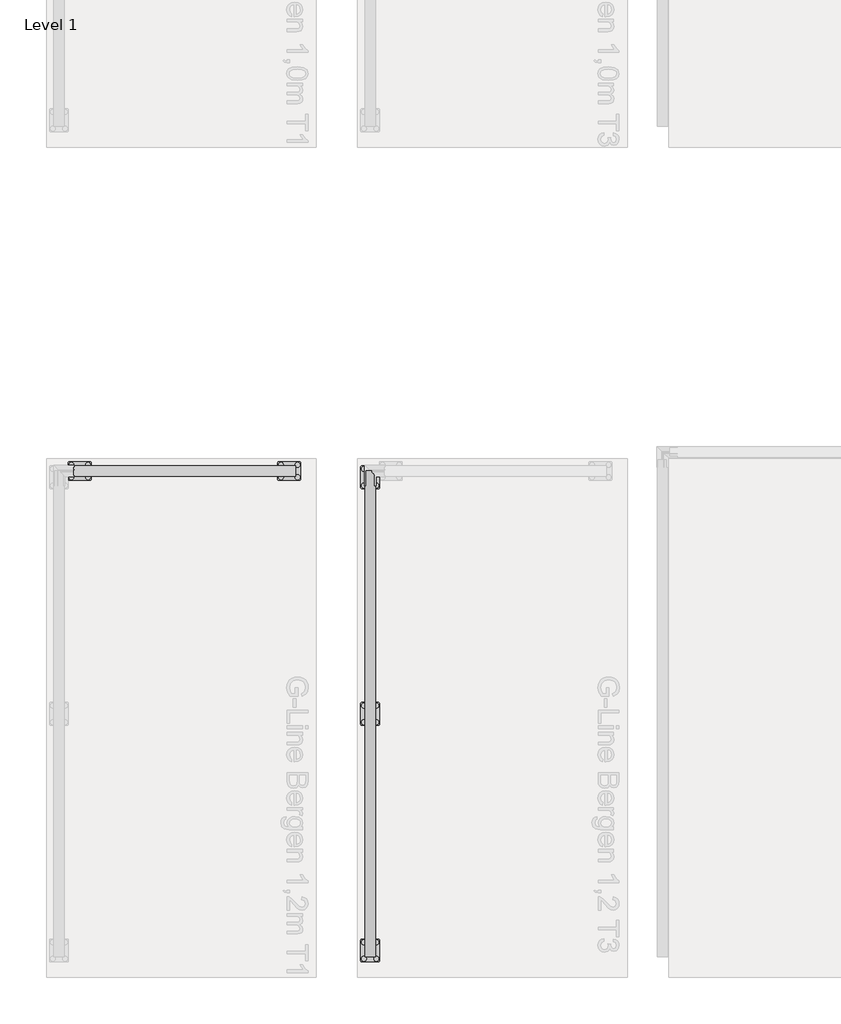
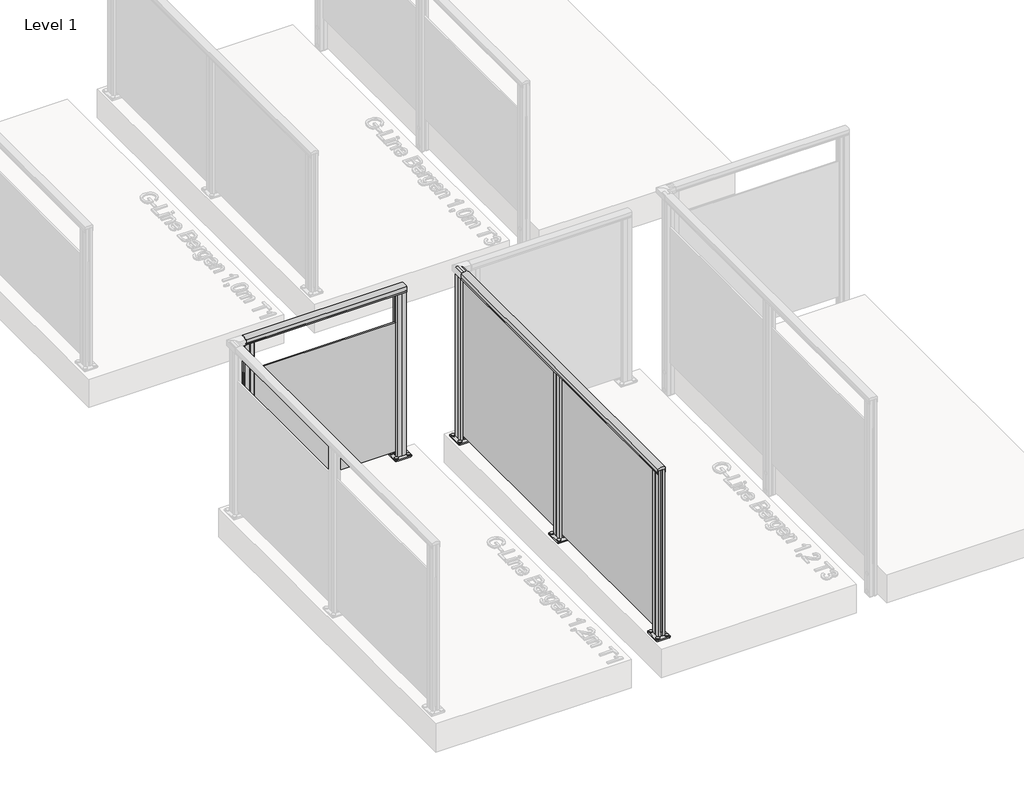
# One storey, part 2 of 13: 2 railings.
"""IFC4 building model written with IfcOpenShell, lengths in millimetres."""

from ifc_helpers import new_model, si_unit, point, frame, frame_2d, origin, origin_with_axes, place, context, project, spatial, polyline, circle_curve, trimmed, segment, composite_curve, outline, extrude, element, save

model = new_model("IFC4")

# Units and contexts
model_context = context("Model", 3, world=origin())
ifc_project = project(units=[si_unit("LENGTHUNIT", "METRE", prefix="MILLI")], contexts=[model_context])

# Site, building, storey
site = spatial("IfcSite", under=ifc_project)
building = spatial("IfcBuilding", under=site)
storey = spatial("IfcBuildingStorey", under=building, Name="Level 1", Elevation=0.0)

# Railings
placement = place(None, origin())
element("IfcRailing", 1, at=placement, inside=storey, context=model_context, shape_type="SweptSolid", body=[
    extrude(outline(composite_curve([segment(trimmed(circle_curve(frame_2d((-1700.3707264, 1142.6785502)), 57.3235687), [point((-1725.6256867, 1194.1390059))], [point((-1675.1060284, 1194.1342258))], False, "CARTESIAN"), True, "CONTINUOUS"), segment(polyline([(-1675.1060284, 1194.1342258), (-1675.1060284, 1167.0235023), (-1675.6879602, 1166.4415706), (-1675.0658791, 1165.8194895), (-1675.0658791, 1157.2498847), (-1676.870832, 1157.2498847), (-1676.870832, 1180.4998829), (-1723.8658782, 1180.4998829), (-1723.8658782, 1157.2498847), (-1725.6256867, 1157.2498847), (-1725.6256867, 1165.9694895), (-1725.0109037, 1166.5842725), (-1725.6256867, 1167.1990555), (-1725.6256867, 1194.1390059)]), True, "CONTINUOUS")], self_intersect=False)), frame((-5667.7109978, 0.0, 0.0), z_axis=(1.0, 0.0, 0.0), x_axis=(0.0, 1.0, 0.0)), (0.0, 0.0, 1.0), 1070.0),
    extrude(outline(polyline([(-4597.7109978, -1695.2659103), (-4597.7109978, -1704.0259103), (-5667.7109978, -1704.0259103), (-5667.7109978, -1695.2659103), (-4597.7109978, -1695.2659103)])), frame((0.0, 0.0, 40.0), z_axis=(0.0, 0.0, 1.0), x_axis=(1.0, 0.0, 0.0)), (0.0, 0.0, 1.0), 910.0),
    extrude(outline(composite_curve([segment(trimmed(circle_curve(frame_2d((-5597.7109978, -1669.6459103)), 11.9621755), [point((-5597.7109978, -1657.6837349))], [point((-5597.7109978, -1681.6080858))], False, "CARTESIAN"), True, "CONTINUOUS"), segment(trimmed(circle_curve(frame_2d((-5597.7109978, -1669.6459103)), 11.9621755), [point((-5597.7109978, -1681.6080858))], [point((-5597.7109978, -1657.6837349))], False, "CARTESIAN"), True, "CONTINUOUS")], self_intersect=False)), frame((0.0, 0.0, 10.0), z_axis=(0.0, 0.0, 1.0), x_axis=(1.0, 0.0, 0.0)), (0.0, 0.0, 1.0), 5.0),
    extrude(outline(composite_curve([segment(trimmed(circle_curve(frame_2d((-5597.7109978, -1729.6459103)), 11.9621755), [point((-5597.7109978, -1717.6837349))], [point((-5597.7109978, -1741.6080858))], False, "CARTESIAN"), True, "CONTINUOUS"), segment(trimmed(circle_curve(frame_2d((-5597.7109978, -1729.6459103)), 11.9621755), [point((-5597.7109978, -1741.6080858))], [point((-5597.7109978, -1717.6837349))], False, "CARTESIAN"), True, "CONTINUOUS")], self_intersect=False)), frame((0.0, 0.0, 10.0), z_axis=(0.0, 0.0, 1.0), x_axis=(1.0, 0.0, 0.0)), (0.0, 0.0, 1.0), 5.0),
    extrude(outline(composite_curve([segment(trimmed(circle_curve(frame_2d((-5677.7109978, -1669.6459103)), 11.9621755), [point((-5677.7109978, -1657.6837349))], [point((-5677.7109978, -1681.6080858))], False, "CARTESIAN"), True, "CONTINUOUS"), segment(trimmed(circle_curve(frame_2d((-5677.7109978, -1669.6459103)), 11.9621755), [point((-5677.7109978, -1681.6080858))], [point((-5677.7109978, -1657.6837349))], False, "CARTESIAN"), True, "CONTINUOUS")], self_intersect=False)), frame((0.0, 0.0, 10.0), z_axis=(0.0, 0.0, 1.0), x_axis=(1.0, 0.0, 0.0)), (0.0, 0.0, 1.0), 5.0),
    extrude(outline(composite_curve([segment(trimmed(circle_curve(frame_2d((-5677.7109978, -1729.6459103)), 11.9621755), [point((-5677.7109978, -1717.6837349))], [point((-5677.7109978, -1741.6080858))], False, "CARTESIAN"), True, "CONTINUOUS"), segment(trimmed(circle_curve(frame_2d((-5677.7109978, -1729.6459103)), 11.9621755), [point((-5677.7109978, -1741.6080858))], [point((-5677.7109978, -1717.6837349))], False, "CARTESIAN"), True, "CONTINUOUS")], self_intersect=False)), frame((0.0, 0.0, 10.0), z_axis=(0.0, 0.0, 1.0), x_axis=(1.0, 0.0, 0.0)), (0.0, 0.0, 1.0), 5.0),
    extrude(outline(composite_curve([segment(trimmed(circle_curve(frame_2d((-5587.7109978, -1739.6459103)), 5.0), [point((-5582.7109978, -1739.6459103))], [point((-5587.7109978, -1744.6459103))], False, "CARTESIAN"), True, "CONTINUOUS"), segment(polyline([(-5587.7109978, -1744.6459103), (-5687.7109978, -1744.6459103)]), True, "CONTINUOUS"), segment(trimmed(circle_curve(frame_2d((-5687.7109978, -1739.6459103)), 5.0), [point((-5687.7109978, -1744.6459103))], [point((-5692.7109978, -1739.6459103))], False, "CARTESIAN"), True, "CONTINUOUS"), segment(polyline([(-5692.7109978, -1739.6459103), (-5692.7109978, -1659.6459103)]), True, "CONTINUOUS"), segment(trimmed(circle_curve(frame_2d((-5687.7109978, -1659.6459103)), 5.0), [point((-5692.7109978, -1659.6459103))], [point((-5687.7109978, -1654.6459103))], False, "CARTESIAN"), True, "CONTINUOUS"), segment(polyline([(-5687.7109978, -1654.6459103), (-5587.7109978, -1654.6459103)]), True, "CONTINUOUS"), segment(trimmed(circle_curve(frame_2d((-5587.7109978, -1659.6459103)), 5.0), [point((-5587.7109978, -1654.6459103))], [point((-5582.7109978, -1659.6459103))], False, "CARTESIAN"), True, "CONTINUOUS"), segment(polyline([(-5582.7109978, -1659.6459103), (-5582.7109978, -1739.6459103)]), True, "CONTINUOUS")], self_intersect=False), holes=[composite_curve([segment(trimmed(circle_curve(frame_2d((-5597.7109978, -1729.6459103)), 6.25), [point((-5597.7109978, -1723.3959103))], [point((-5597.7109978, -1735.8959103))], True, "CARTESIAN"), True, "CONTINUOUS"), segment(trimmed(circle_curve(frame_2d((-5597.7109978, -1729.6459103)), 6.25), [point((-5597.7109978, -1735.8959103))], [point((-5597.7109978, -1723.3959103))], True, "CARTESIAN"), True, "CONTINUOUS")], self_intersect=False), composite_curve([segment(trimmed(circle_curve(frame_2d((-5597.7109978, -1669.6459103)), 6.25), [point((-5597.7109978, -1663.3959103))], [point((-5597.7109978, -1675.8959103))], True, "CARTESIAN"), True, "CONTINUOUS"), segment(trimmed(circle_curve(frame_2d((-5597.7109978, -1669.6459103)), 6.25), [point((-5597.7109978, -1675.8959103))], [point((-5597.7109978, -1663.3959103))], True, "CARTESIAN"), True, "CONTINUOUS")], self_intersect=False), composite_curve([segment(trimmed(circle_curve(frame_2d((-5677.7109978, -1669.6459103)), 6.25), [point((-5677.7109978, -1663.3959103))], [point((-5677.7109978, -1675.8959103))], True, "CARTESIAN"), True, "CONTINUOUS"), segment(trimmed(circle_curve(frame_2d((-5677.7109978, -1669.6459103)), 6.25), [point((-5677.7109978, -1675.8959103))], [point((-5677.7109978, -1663.3959103))], True, "CARTESIAN"), True, "CONTINUOUS")], self_intersect=False), composite_curve([segment(trimmed(circle_curve(frame_2d((-5677.7109978, -1729.6459103)), 6.25), [point((-5677.7109978, -1723.3959103))], [point((-5677.7109978, -1735.8959103))], True, "CARTESIAN"), True, "CONTINUOUS"), segment(trimmed(circle_curve(frame_2d((-5677.7109978, -1729.6459103)), 6.25), [point((-5677.7109978, -1735.8959103))], [point((-5677.7109978, -1723.3959103))], True, "CARTESIAN"), True, "CONTINUOUS")], self_intersect=False)]), origin_with_axes(), (0.0, 0.0, 1.0), 10.0),
    extrude(outline(polyline([(-5667.7094047, -1695.3000484), (-5667.7120769, -1677.1550486), (-5638.7450899, -1677.1507826), (-5637.7166457, -1678.1789239), (-5636.7285472, -1677.1905343), (-5607.7120717, -1677.1862611), (-5607.7094054, -1695.2912122), (-5625.2094052, -1695.2937894), (-5625.2081151, -1704.0537893), (-5607.7081153, -1704.0512121), (-5607.7054505, -1722.1462119), (-5636.6724374, -1722.1504779), (-5637.7103053, -1721.2321455), (-5638.5884687, -1722.1105677), (-5667.7054557, -1722.1148557), (-5667.7081146, -1704.0600483), (-5650.2081148, -1704.0574711), (-5650.2094049, -1695.2974712), (-5667.7094047, -1695.3000484)]), holes=[polyline([(-5628.9117828, -1720.151926), (-5628.9117828, -1679.1493345), (-5646.5057446, -1679.1493345), (-5646.5057446, -1720.151926), (-5628.9117828, -1720.151926)]), polyline([(-5609.711783, -1693.2940398), (-5609.711783, -1679.1465069), (-5626.9096997, -1679.1465069), (-5626.9096997, -1693.2940398), (-5609.711783, -1693.2940398)]), polyline([(-5609.7078207, -1720.151926), (-5609.7078207, -1706.0515066), (-5626.9057444, -1706.0515066), (-5626.9057444, -1720.151926), (-5609.7078207, -1720.151926)]), polyline([(-5648.5117826, -1693.2997538), (-5648.5117826, -1679.152221), (-5665.7096993, -1679.152221), (-5665.7096993, -1693.2997538), (-5648.5117826, -1693.2997538)]), polyline([(-5648.5078203, -1720.2047536), (-5648.5078203, -1706.0572207), (-5665.705737, -1706.0572207), (-5665.705737, -1720.2047536), (-5648.5078203, -1720.2047536)])]), frame((0.0, 0.0, 10.0), z_axis=(0.0, 0.0, 1.0), x_axis=(1.0, 0.0, 0.0)), (0.0, 0.0, 1.0), 1171.0),
    extrude(outline(composite_curve([segment(trimmed(circle_curve(frame_2d((-4587.7109978, -1669.6459103)), 11.9621755), [point((-4587.7109978, -1657.6837349))], [point((-4587.7109978, -1681.6080858))], False, "CARTESIAN"), True, "CONTINUOUS"), segment(trimmed(circle_curve(frame_2d((-4587.7109978, -1669.6459103)), 11.9621755), [point((-4587.7109978, -1681.6080858))], [point((-4587.7109978, -1657.6837349))], False, "CARTESIAN"), True, "CONTINUOUS")], self_intersect=False)), frame((0.0, 0.0, 10.0), z_axis=(0.0, 0.0, 1.0), x_axis=(1.0, 0.0, 0.0)), (0.0, 0.0, 1.0), 5.0),
    extrude(outline(composite_curve([segment(trimmed(circle_curve(frame_2d((-4587.7109978, -1729.6459103)), 11.9621755), [point((-4587.7109978, -1717.6837349))], [point((-4587.7109978, -1741.6080858))], False, "CARTESIAN"), True, "CONTINUOUS"), segment(trimmed(circle_curve(frame_2d((-4587.7109978, -1729.6459103)), 11.9621755), [point((-4587.7109978, -1741.6080858))], [point((-4587.7109978, -1717.6837349))], False, "CARTESIAN"), True, "CONTINUOUS")], self_intersect=False)), frame((0.0, 0.0, 10.0), z_axis=(0.0, 0.0, 1.0), x_axis=(1.0, 0.0, 0.0)), (0.0, 0.0, 1.0), 5.0),
    extrude(outline(composite_curve([segment(trimmed(circle_curve(frame_2d((-4667.7109978, -1669.6459103)), 11.9621755), [point((-4667.7109978, -1657.6837349))], [point((-4667.7109978, -1681.6080858))], False, "CARTESIAN"), True, "CONTINUOUS"), segment(trimmed(circle_curve(frame_2d((-4667.7109978, -1669.6459103)), 11.9621755), [point((-4667.7109978, -1681.6080858))], [point((-4667.7109978, -1657.6837349))], False, "CARTESIAN"), True, "CONTINUOUS")], self_intersect=False)), frame((0.0, 0.0, 10.0), z_axis=(0.0, 0.0, 1.0), x_axis=(1.0, 0.0, 0.0)), (0.0, 0.0, 1.0), 5.0),
    extrude(outline(composite_curve([segment(trimmed(circle_curve(frame_2d((-4667.7109978, -1729.6459103)), 11.9621755), [point((-4667.7109978, -1717.6837349))], [point((-4667.7109978, -1741.6080858))], False, "CARTESIAN"), True, "CONTINUOUS"), segment(trimmed(circle_curve(frame_2d((-4667.7109978, -1729.6459103)), 11.9621755), [point((-4667.7109978, -1741.6080858))], [point((-4667.7109978, -1717.6837349))], False, "CARTESIAN"), True, "CONTINUOUS")], self_intersect=False)), frame((0.0, 0.0, 10.0), z_axis=(0.0, 0.0, 1.0), x_axis=(1.0, 0.0, 0.0)), (0.0, 0.0, 1.0), 5.0),
    extrude(outline(composite_curve([segment(trimmed(circle_curve(frame_2d((-4577.7109978, -1739.6459103)), 5.0), [point((-4572.7109978, -1739.6459103))], [point((-4577.7109978, -1744.6459103))], False, "CARTESIAN"), True, "CONTINUOUS"), segment(polyline([(-4577.7109978, -1744.6459103), (-4677.7109978, -1744.6459103)]), True, "CONTINUOUS"), segment(trimmed(circle_curve(frame_2d((-4677.7109978, -1739.6459103)), 5.0), [point((-4677.7109978, -1744.6459103))], [point((-4682.7109978, -1739.6459103))], False, "CARTESIAN"), True, "CONTINUOUS"), segment(polyline([(-4682.7109978, -1739.6459103), (-4682.7109978, -1659.6459103)]), True, "CONTINUOUS"), segment(trimmed(circle_curve(frame_2d((-4677.7109978, -1659.6459103)), 5.0), [point((-4682.7109978, -1659.6459103))], [point((-4677.7109978, -1654.6459103))], False, "CARTESIAN"), True, "CONTINUOUS"), segment(polyline([(-4677.7109978, -1654.6459103), (-4577.7109978, -1654.6459103)]), True, "CONTINUOUS"), segment(trimmed(circle_curve(frame_2d((-4577.7109978, -1659.6459103)), 5.0), [point((-4577.7109978, -1654.6459103))], [point((-4572.7109978, -1659.6459103))], False, "CARTESIAN"), True, "CONTINUOUS"), segment(polyline([(-4572.7109978, -1659.6459103), (-4572.7109978, -1739.6459103)]), True, "CONTINUOUS")], self_intersect=False), holes=[composite_curve([segment(trimmed(circle_curve(frame_2d((-4587.7109978, -1729.6459103)), 6.25), [point((-4587.7109978, -1723.3959103))], [point((-4587.7109978, -1735.8959103))], True, "CARTESIAN"), True, "CONTINUOUS"), segment(trimmed(circle_curve(frame_2d((-4587.7109978, -1729.6459103)), 6.25), [point((-4587.7109978, -1735.8959103))], [point((-4587.7109978, -1723.3959103))], True, "CARTESIAN"), True, "CONTINUOUS")], self_intersect=False), composite_curve([segment(trimmed(circle_curve(frame_2d((-4587.7109978, -1669.6459103)), 6.25), [point((-4587.7109978, -1663.3959103))], [point((-4587.7109978, -1675.8959103))], True, "CARTESIAN"), True, "CONTINUOUS"), segment(trimmed(circle_curve(frame_2d((-4587.7109978, -1669.6459103)), 6.25), [point((-4587.7109978, -1675.8959103))], [point((-4587.7109978, -1663.3959103))], True, "CARTESIAN"), True, "CONTINUOUS")], self_intersect=False), composite_curve([segment(trimmed(circle_curve(frame_2d((-4667.7109978, -1669.6459103)), 6.25), [point((-4667.7109978, -1663.3959103))], [point((-4667.7109978, -1675.8959103))], True, "CARTESIAN"), True, "CONTINUOUS"), segment(trimmed(circle_curve(frame_2d((-4667.7109978, -1669.6459103)), 6.25), [point((-4667.7109978, -1675.8959103))], [point((-4667.7109978, -1663.3959103))], True, "CARTESIAN"), True, "CONTINUOUS")], self_intersect=False), composite_curve([segment(trimmed(circle_curve(frame_2d((-4667.7109978, -1729.6459103)), 6.25), [point((-4667.7109978, -1723.3959103))], [point((-4667.7109978, -1735.8959103))], True, "CARTESIAN"), True, "CONTINUOUS"), segment(trimmed(circle_curve(frame_2d((-4667.7109978, -1729.6459103)), 6.25), [point((-4667.7109978, -1735.8959103))], [point((-4667.7109978, -1723.3959103))], True, "CARTESIAN"), True, "CONTINUOUS")], self_intersect=False)]), origin_with_axes(), (0.0, 0.0, 1.0), 10.0),
    extrude(outline(polyline([(-4657.7094047, -1695.3000484), (-4657.7120769, -1677.1550486), (-4628.7450899, -1677.1507826), (-4627.7166457, -1678.1789239), (-4626.7285472, -1677.1905343), (-4597.7120717, -1677.1862611), (-4597.7094054, -1695.2912122), (-4615.2094052, -1695.2937894), (-4615.2081151, -1704.0537893), (-4597.7081153, -1704.0512121), (-4597.7054505, -1722.1462119), (-4626.6724374, -1722.1504779), (-4627.7103053, -1721.2321455), (-4628.5884687, -1722.1105677), (-4657.7054557, -1722.1148557), (-4657.7081146, -1704.0600483), (-4640.2081148, -1704.0574711), (-4640.2094049, -1695.2974712), (-4657.7094047, -1695.3000484)]), holes=[polyline([(-4618.9117828, -1720.151926), (-4618.9117828, -1679.1493345), (-4636.5057446, -1679.1493345), (-4636.5057446, -1720.151926), (-4618.9117828, -1720.151926)]), polyline([(-4599.711783, -1693.2940398), (-4599.711783, -1679.1465069), (-4616.9096997, -1679.1465069), (-4616.9096997, -1693.2940398), (-4599.711783, -1693.2940398)]), polyline([(-4599.7078207, -1720.151926), (-4599.7078207, -1706.0515066), (-4616.9057444, -1706.0515066), (-4616.9057444, -1720.151926), (-4599.7078207, -1720.151926)]), polyline([(-4638.5117826, -1693.2997538), (-4638.5117826, -1679.152221), (-4655.7096993, -1679.152221), (-4655.7096993, -1693.2997538), (-4638.5117826, -1693.2997538)]), polyline([(-4638.5078203, -1720.2047536), (-4638.5078203, -1706.0572207), (-4655.705737, -1706.0572207), (-4655.705737, -1720.2047536), (-4638.5078203, -1720.2047536)])]), frame((0.0, 0.0, 10.0), z_axis=(0.0, 0.0, 1.0), x_axis=(1.0, 0.0, 0.0)), (0.0, 0.0, 1.0), 1171.0),
])
element("IfcRailing", 2, at=placement, inside=storey, context=model_context, shape_type="SweptSolid", body=[
    extrude(outline(composite_curve([segment(trimmed(circle_curve(frame_2d((57.3214498, -0.0047199)), 57.3235687), [point((5.8609941, -25.2596802))], [point((5.8657742, 25.2599781))], False, "CARTESIAN"), True, "CONTINUOUS"), segment(polyline([(5.8657742, 25.2599781), (32.9764977, 25.2599781), (33.5584294, 24.6780464), (34.1805105, 25.3001274), (42.7501153, 25.3001274), (42.7501153, 23.4951745), (19.5001171, 23.4951745), (19.5001171, -23.4998716), (42.7501153, -23.4998716), (42.7501153, -25.2596802), (34.0305105, -25.2596802), (33.4157275, -24.6448972), (32.8009445, -25.2596802), (5.8609941, -25.2596802)]), True, "CONTINUOUS")], self_intersect=False)), frame((-4236.9909016, -4039.6459103, 1200.0), z_axis=(1.9358301858992035e-12, 1.0, 0.0), x_axis=(0.0, 0.0, -1.0)), (0.0, 0.0, 1.0), 2340.0),
    extrude(outline(polyline([(-4242.0909978, -1699.6459103), (-4233.3309978, -1699.6459103), (-4233.3309978, -4039.6459103), (-4242.0909978, -4039.6459103), (-4242.0909978, -1699.6459103)])), frame((0.0, 0.0, 40.0), z_axis=(0.0, 0.0, 1.0), x_axis=(1.0, 0.0, 0.0)), (0.0, 0.0, 1.0), 1140.0),
    extrude(outline(composite_curve([segment(trimmed(circle_curve(frame_2d((-4267.7109978, -2829.6459103)), 11.9621755), [point((-4279.6731733, -2829.6459103))], [point((-4255.7488224, -2829.6459103))], False, "CARTESIAN"), True, "CONTINUOUS"), segment(trimmed(circle_curve(frame_2d((-4267.7109978, -2829.6459103)), 11.9621755), [point((-4255.7488224, -2829.6459103))], [point((-4279.6731733, -2829.6459103))], False, "CARTESIAN"), True, "CONTINUOUS")], self_intersect=False)), frame((0.0, 0.0, 10.0), z_axis=(0.0, 0.0, 1.0), x_axis=(1.0, 0.0, 0.0)), (0.0, 0.0, 1.0), 5.0),
    extrude(outline(composite_curve([segment(trimmed(circle_curve(frame_2d((-4207.7109978, -2829.6459103)), 11.9621755), [point((-4219.6731733, -2829.6459103))], [point((-4195.7488224, -2829.6459103))], False, "CARTESIAN"), True, "CONTINUOUS"), segment(trimmed(circle_curve(frame_2d((-4207.7109978, -2829.6459103)), 11.9621755), [point((-4195.7488224, -2829.6459103))], [point((-4219.6731733, -2829.6459103))], False, "CARTESIAN"), True, "CONTINUOUS")], self_intersect=False)), frame((0.0, 0.0, 10.0), z_axis=(0.0, 0.0, 1.0), x_axis=(1.0, 0.0, 0.0)), (0.0, 0.0, 1.0), 5.0),
    extrude(outline(composite_curve([segment(trimmed(circle_curve(frame_2d((-4267.7109978, -2909.6459103)), 11.9621755), [point((-4279.6731733, -2909.6459103))], [point((-4255.7488224, -2909.6459103))], False, "CARTESIAN"), True, "CONTINUOUS"), segment(trimmed(circle_curve(frame_2d((-4267.7109978, -2909.6459103)), 11.9621755), [point((-4255.7488224, -2909.6459103))], [point((-4279.6731733, -2909.6459103))], False, "CARTESIAN"), True, "CONTINUOUS")], self_intersect=False)), frame((0.0, 0.0, 10.0), z_axis=(0.0, 0.0, 1.0), x_axis=(1.0, 0.0, 0.0)), (0.0, 0.0, 1.0), 5.0),
    extrude(outline(composite_curve([segment(trimmed(circle_curve(frame_2d((-4207.7109978, -2909.6459103)), 11.9621755), [point((-4219.6731733, -2909.6459103))], [point((-4195.7488224, -2909.6459103))], False, "CARTESIAN"), True, "CONTINUOUS"), segment(trimmed(circle_curve(frame_2d((-4207.7109978, -2909.6459103)), 11.9621755), [point((-4195.7488224, -2909.6459103))], [point((-4219.6731733, -2909.6459103))], False, "CARTESIAN"), True, "CONTINUOUS")], self_intersect=False)), frame((0.0, 0.0, 10.0), z_axis=(0.0, 0.0, 1.0), x_axis=(1.0, 0.0, 0.0)), (0.0, 0.0, 1.0), 5.0),
    extrude(outline(composite_curve([segment(trimmed(circle_curve(frame_2d((-4197.7109978, -2819.6459103)), 5.0), [point((-4197.7109978, -2814.6459103))], [point((-4192.7109978, -2819.6459103))], False, "CARTESIAN"), True, "CONTINUOUS"), segment(polyline([(-4192.7109978, -2819.6459103), (-4192.7109978, -2919.6459103)]), True, "CONTINUOUS"), segment(trimmed(circle_curve(frame_2d((-4197.7109978, -2919.6459103)), 5.0), [point((-4192.7109978, -2919.6459103))], [point((-4197.7109978, -2924.6459103))], False, "CARTESIAN"), True, "CONTINUOUS"), segment(polyline([(-4197.7109978, -2924.6459103), (-4277.7109978, -2924.6459103)]), True, "CONTINUOUS"), segment(trimmed(circle_curve(frame_2d((-4277.7109978, -2919.6459103)), 5.0), [point((-4277.7109978, -2924.6459103))], [point((-4282.7109978, -2919.6459103))], False, "CARTESIAN"), True, "CONTINUOUS"), segment(polyline([(-4282.7109978, -2919.6459103), (-4282.7109978, -2819.6459103)]), True, "CONTINUOUS"), segment(trimmed(circle_curve(frame_2d((-4277.7109978, -2819.6459103)), 5.0), [point((-4282.7109978, -2819.6459103))], [point((-4277.7109978, -2814.6459103))], False, "CARTESIAN"), True, "CONTINUOUS"), segment(polyline([(-4277.7109978, -2814.6459103), (-4197.7109978, -2814.6459103)]), True, "CONTINUOUS")], self_intersect=False), holes=[composite_curve([segment(trimmed(circle_curve(frame_2d((-4207.7109978, -2829.6459103)), 6.25), [point((-4213.9609978, -2829.6459103))], [point((-4201.4609978, -2829.6459103))], True, "CARTESIAN"), True, "CONTINUOUS"), segment(trimmed(circle_curve(frame_2d((-4207.7109978, -2829.6459103)), 6.25), [point((-4201.4609978, -2829.6459103))], [point((-4213.9609978, -2829.6459103))], True, "CARTESIAN"), True, "CONTINUOUS")], self_intersect=False), composite_curve([segment(trimmed(circle_curve(frame_2d((-4267.7109978, -2829.6459103)), 6.25), [point((-4273.9609978, -2829.6459103))], [point((-4261.4609978, -2829.6459103))], True, "CARTESIAN"), True, "CONTINUOUS"), segment(trimmed(circle_curve(frame_2d((-4267.7109978, -2829.6459103)), 6.25), [point((-4261.4609978, -2829.6459103))], [point((-4273.9609978, -2829.6459103))], True, "CARTESIAN"), True, "CONTINUOUS")], self_intersect=False), composite_curve([segment(trimmed(circle_curve(frame_2d((-4267.7109978, -2909.6459103)), 6.25), [point((-4273.9609978, -2909.6459103))], [point((-4261.4609978, -2909.6459103))], True, "CARTESIAN"), True, "CONTINUOUS"), segment(trimmed(circle_curve(frame_2d((-4267.7109978, -2909.6459103)), 6.25), [point((-4261.4609978, -2909.6459103))], [point((-4273.9609978, -2909.6459103))], True, "CARTESIAN"), True, "CONTINUOUS")], self_intersect=False), composite_curve([segment(trimmed(circle_curve(frame_2d((-4207.7109978, -2909.6459103)), 6.25), [point((-4213.9609978, -2909.6459103))], [point((-4201.4609978, -2909.6459103))], True, "CARTESIAN"), True, "CONTINUOUS"), segment(trimmed(circle_curve(frame_2d((-4207.7109978, -2909.6459103)), 6.25), [point((-4201.4609978, -2909.6459103))], [point((-4213.9609978, -2909.6459103))], True, "CARTESIAN"), True, "CONTINUOUS")], self_intersect=False)]), origin_with_axes(), (0.0, 0.0, 1.0), 10.0),
    extrude(outline(polyline([(-4242.0568598, -2899.6443172), (-4260.2018596, -2899.6469894), (-4260.2061255, -2870.6800024), (-4259.1779842, -2869.6515582), (-4260.1663738, -2868.6634597), (-4260.170647, -2839.6469842), (-4242.0656959, -2839.6443179), (-4242.0631187, -2857.1443177), (-4233.3031188, -2857.1430276), (-4233.305696, -2839.6430278), (-4215.2106962, -2839.640363), (-4215.2064303, -2868.60735), (-4216.1247626, -2869.6452178), (-4215.2463405, -2870.5233813), (-4215.2420524, -2899.6403682), (-4233.2968599, -2899.6430272), (-4233.2994371, -2882.1430273), (-4242.059437, -2882.1443174), (-4242.0568598, -2899.6443172)]), holes=[polyline([(-4217.2049821, -2860.8466953), (-4258.2075736, -2860.8466953), (-4258.2075736, -2878.4406571), (-4217.2049821, -2878.4406571), (-4217.2049821, -2860.8466953)]), polyline([(-4244.0628683, -2841.6466955), (-4258.2104012, -2841.6466955), (-4258.2104012, -2858.8446122), (-4244.0628683, -2858.8446122), (-4244.0628683, -2841.6466955)]), polyline([(-4217.2049821, -2841.6427333), (-4231.3054015, -2841.6427333), (-4231.3054015, -2858.8406569), (-4217.2049821, -2858.8406569), (-4217.2049821, -2841.6427333)]), polyline([(-4244.0571543, -2880.4466951), (-4258.2046872, -2880.4466951), (-4258.2046872, -2897.6446118), (-4244.0571543, -2897.6446118), (-4244.0571543, -2880.4466951)]), polyline([(-4217.1521546, -2880.4427328), (-4231.2996875, -2880.4427328), (-4231.2996875, -2897.6406495), (-4217.1521546, -2897.6406495), (-4217.1521546, -2880.4427328)])]), frame((0.0, 0.0, 10.0), z_axis=(0.0, 0.0, 1.0), x_axis=(1.0, 0.0, 0.0)), (0.0, 0.0, 1.0), 1171.0),
    extrude(outline(composite_curve([segment(trimmed(circle_curve(frame_2d((-4267.7109978, -3969.6459103)), 11.9621755), [point((-4279.6731733, -3969.6459103))], [point((-4255.7488224, -3969.6459103))], False, "CARTESIAN"), True, "CONTINUOUS"), segment(trimmed(circle_curve(frame_2d((-4267.7109978, -3969.6459103)), 11.9621755), [point((-4255.7488224, -3969.6459103))], [point((-4279.6731733, -3969.6459103))], False, "CARTESIAN"), True, "CONTINUOUS")], self_intersect=False)), frame((0.0, 0.0, 10.0), z_axis=(0.0, 0.0, 1.0), x_axis=(1.0, 0.0, 0.0)), (0.0, 0.0, 1.0), 5.0),
    extrude(outline(composite_curve([segment(trimmed(circle_curve(frame_2d((-4207.7109978, -3969.6459103)), 11.9621755), [point((-4219.6731733, -3969.6459103))], [point((-4195.7488224, -3969.6459103))], False, "CARTESIAN"), True, "CONTINUOUS"), segment(trimmed(circle_curve(frame_2d((-4207.7109978, -3969.6459103)), 11.9621755), [point((-4195.7488224, -3969.6459103))], [point((-4219.6731733, -3969.6459103))], False, "CARTESIAN"), True, "CONTINUOUS")], self_intersect=False)), frame((0.0, 0.0, 10.0), z_axis=(0.0, 0.0, 1.0), x_axis=(1.0, 0.0, 0.0)), (0.0, 0.0, 1.0), 5.0),
    extrude(outline(composite_curve([segment(trimmed(circle_curve(frame_2d((-4267.7109978, -4049.6459103)), 11.9621755), [point((-4279.6731733, -4049.6459103))], [point((-4255.7488224, -4049.6459103))], False, "CARTESIAN"), True, "CONTINUOUS"), segment(trimmed(circle_curve(frame_2d((-4267.7109978, -4049.6459103)), 11.9621755), [point((-4255.7488224, -4049.6459103))], [point((-4279.6731733, -4049.6459103))], False, "CARTESIAN"), True, "CONTINUOUS")], self_intersect=False)), frame((0.0, 0.0, 10.0), z_axis=(0.0, 0.0, 1.0), x_axis=(1.0, 0.0, 0.0)), (0.0, 0.0, 1.0), 5.0),
    extrude(outline(composite_curve([segment(trimmed(circle_curve(frame_2d((-4207.7109978, -4049.6459103)), 11.9621755), [point((-4219.6731733, -4049.6459103))], [point((-4195.7488224, -4049.6459103))], False, "CARTESIAN"), True, "CONTINUOUS"), segment(trimmed(circle_curve(frame_2d((-4207.7109978, -4049.6459103)), 11.9621755), [point((-4195.7488224, -4049.6459103))], [point((-4219.6731733, -4049.6459103))], False, "CARTESIAN"), True, "CONTINUOUS")], self_intersect=False)), frame((0.0, 0.0, 10.0), z_axis=(0.0, 0.0, 1.0), x_axis=(1.0, 0.0, 0.0)), (0.0, 0.0, 1.0), 5.0),
    extrude(outline(composite_curve([segment(trimmed(circle_curve(frame_2d((-4197.7109978, -3959.6459103)), 5.0), [point((-4197.7109978, -3954.6459103))], [point((-4192.7109978, -3959.6459103))], False, "CARTESIAN"), True, "CONTINUOUS"), segment(polyline([(-4192.7109978, -3959.6459103), (-4192.7109978, -4059.6459103)]), True, "CONTINUOUS"), segment(trimmed(circle_curve(frame_2d((-4197.7109978, -4059.6459103)), 5.0), [point((-4192.7109978, -4059.6459103))], [point((-4197.7109978, -4064.6459103))], False, "CARTESIAN"), True, "CONTINUOUS"), segment(polyline([(-4197.7109978, -4064.6459103), (-4277.7109978, -4064.6459103)]), True, "CONTINUOUS"), segment(trimmed(circle_curve(frame_2d((-4277.7109978, -4059.6459103)), 5.0), [point((-4277.7109978, -4064.6459103))], [point((-4282.7109978, -4059.6459103))], False, "CARTESIAN"), True, "CONTINUOUS"), segment(polyline([(-4282.7109978, -4059.6459103), (-4282.7109978, -3959.6459103)]), True, "CONTINUOUS"), segment(trimmed(circle_curve(frame_2d((-4277.7109978, -3959.6459103)), 5.0), [point((-4282.7109978, -3959.6459103))], [point((-4277.7109978, -3954.6459103))], False, "CARTESIAN"), True, "CONTINUOUS"), segment(polyline([(-4277.7109978, -3954.6459103), (-4197.7109978, -3954.6459103)]), True, "CONTINUOUS")], self_intersect=False), holes=[composite_curve([segment(trimmed(circle_curve(frame_2d((-4207.7109978, -3969.6459103)), 6.25), [point((-4213.9609978, -3969.6459103))], [point((-4201.4609978, -3969.6459103))], True, "CARTESIAN"), True, "CONTINUOUS"), segment(trimmed(circle_curve(frame_2d((-4207.7109978, -3969.6459103)), 6.25), [point((-4201.4609978, -3969.6459103))], [point((-4213.9609978, -3969.6459103))], True, "CARTESIAN"), True, "CONTINUOUS")], self_intersect=False), composite_curve([segment(trimmed(circle_curve(frame_2d((-4267.7109978, -3969.6459103)), 6.25), [point((-4273.9609978, -3969.6459103))], [point((-4261.4609978, -3969.6459103))], True, "CARTESIAN"), True, "CONTINUOUS"), segment(trimmed(circle_curve(frame_2d((-4267.7109978, -3969.6459103)), 6.25), [point((-4261.4609978, -3969.6459103))], [point((-4273.9609978, -3969.6459103))], True, "CARTESIAN"), True, "CONTINUOUS")], self_intersect=False), composite_curve([segment(trimmed(circle_curve(frame_2d((-4267.7109978, -4049.6459103)), 6.25), [point((-4273.9609978, -4049.6459103))], [point((-4261.4609978, -4049.6459103))], True, "CARTESIAN"), True, "CONTINUOUS"), segment(trimmed(circle_curve(frame_2d((-4267.7109978, -4049.6459103)), 6.25), [point((-4261.4609978, -4049.6459103))], [point((-4273.9609978, -4049.6459103))], True, "CARTESIAN"), True, "CONTINUOUS")], self_intersect=False), composite_curve([segment(trimmed(circle_curve(frame_2d((-4207.7109978, -4049.6459103)), 6.25), [point((-4213.9609978, -4049.6459103))], [point((-4201.4609978, -4049.6459103))], True, "CARTESIAN"), True, "CONTINUOUS"), segment(trimmed(circle_curve(frame_2d((-4207.7109978, -4049.6459103)), 6.25), [point((-4201.4609978, -4049.6459103))], [point((-4213.9609978, -4049.6459103))], True, "CARTESIAN"), True, "CONTINUOUS")], self_intersect=False)]), origin_with_axes(), (0.0, 0.0, 1.0), 10.0),
    extrude(outline(polyline([(-4242.0568598, -4039.6443172), (-4260.2018596, -4039.6469894), (-4260.2061255, -4010.6800024), (-4259.1779842, -4009.6515582), (-4260.1663738, -4008.6634597), (-4260.170647, -3979.6469842), (-4242.0656959, -3979.6443179), (-4242.0631187, -3997.1443177), (-4233.3031188, -3997.1430276), (-4233.305696, -3979.6430278), (-4215.2106962, -3979.640363), (-4215.2064303, -4008.60735), (-4216.1247626, -4009.6452178), (-4215.2463405, -4010.5233813), (-4215.2420525, -4039.6403682), (-4233.2968599, -4039.6430272), (-4233.2994371, -4022.1430273), (-4242.059437, -4022.1443174), (-4242.0568598, -4039.6443172)]), holes=[polyline([(-4217.2049821, -4000.8466953), (-4258.2075736, -4000.8466953), (-4258.2075736, -4018.4406571), (-4217.2049821, -4018.4406571), (-4217.2049821, -4000.8466953)]), polyline([(-4244.0628683, -3981.6466955), (-4258.2104012, -3981.6466955), (-4258.2104012, -3998.8446122), (-4244.0628683, -3998.8446122), (-4244.0628683, -3981.6466955)]), polyline([(-4217.2049821, -3981.6427333), (-4231.3054015, -3981.6427333), (-4231.3054015, -3998.8406569), (-4217.2049821, -3998.8406569), (-4217.2049821, -3981.6427333)]), polyline([(-4244.0571543, -4020.4466951), (-4258.2046872, -4020.4466951), (-4258.2046872, -4037.6446118), (-4244.0571543, -4037.6446118), (-4244.0571543, -4020.4466951)]), polyline([(-4217.1521546, -4020.4427328), (-4231.2996875, -4020.4427328), (-4231.2996875, -4037.6406495), (-4217.1521546, -4037.6406495), (-4217.1521546, -4020.4427328)])]), frame((0.0, 0.0, 10.0), z_axis=(0.0, 0.0, 1.0), x_axis=(1.0, 0.0, 0.0)), (0.0, 0.0, 1.0), 1171.0),
    extrude(outline(composite_curve([segment(trimmed(circle_curve(frame_2d((-4267.7109978, -1689.6459103)), 11.9621755), [point((-4279.6731733, -1689.6459103))], [point((-4255.7488224, -1689.6459103))], False, "CARTESIAN"), True, "CONTINUOUS"), segment(trimmed(circle_curve(frame_2d((-4267.7109978, -1689.6459103)), 11.9621755), [point((-4255.7488224, -1689.6459103))], [point((-4279.6731733, -1689.6459103))], False, "CARTESIAN"), True, "CONTINUOUS")], self_intersect=False)), frame((0.0, 0.0, 10.0), z_axis=(0.0, 0.0, 1.0), x_axis=(1.0, 0.0, 0.0)), (0.0, 0.0, 1.0), 5.0),
    extrude(outline(composite_curve([segment(trimmed(circle_curve(frame_2d((-4207.7109978, -1689.6459103)), 11.9621755), [point((-4219.6731733, -1689.6459103))], [point((-4195.7488224, -1689.6459103))], False, "CARTESIAN"), True, "CONTINUOUS"), segment(trimmed(circle_curve(frame_2d((-4207.7109978, -1689.6459103)), 11.9621755), [point((-4195.7488224, -1689.6459103))], [point((-4219.6731733, -1689.6459103))], False, "CARTESIAN"), True, "CONTINUOUS")], self_intersect=False)), frame((0.0, 0.0, 10.0), z_axis=(0.0, 0.0, 1.0), x_axis=(1.0, 0.0, 0.0)), (0.0, 0.0, 1.0), 5.0),
    extrude(outline(composite_curve([segment(trimmed(circle_curve(frame_2d((-4267.7109978, -1769.6459103)), 11.9621755), [point((-4279.6731733, -1769.6459103))], [point((-4255.7488224, -1769.6459103))], False, "CARTESIAN"), True, "CONTINUOUS"), segment(trimmed(circle_curve(frame_2d((-4267.7109978, -1769.6459103)), 11.9621755), [point((-4255.7488224, -1769.6459103))], [point((-4279.6731733, -1769.6459103))], False, "CARTESIAN"), True, "CONTINUOUS")], self_intersect=False)), frame((0.0, 0.0, 10.0), z_axis=(0.0, 0.0, 1.0), x_axis=(1.0, 0.0, 0.0)), (0.0, 0.0, 1.0), 5.0),
    extrude(outline(composite_curve([segment(trimmed(circle_curve(frame_2d((-4207.7109978, -1769.6459103)), 11.9621755), [point((-4219.6731733, -1769.6459103))], [point((-4195.7488224, -1769.6459103))], False, "CARTESIAN"), True, "CONTINUOUS"), segment(trimmed(circle_curve(frame_2d((-4207.7109978, -1769.6459103)), 11.9621755), [point((-4195.7488224, -1769.6459103))], [point((-4219.6731733, -1769.6459103))], False, "CARTESIAN"), True, "CONTINUOUS")], self_intersect=False)), frame((0.0, 0.0, 10.0), z_axis=(0.0, 0.0, 1.0), x_axis=(1.0, 0.0, 0.0)), (0.0, 0.0, 1.0), 5.0),
    extrude(outline(composite_curve([segment(trimmed(circle_curve(frame_2d((-4197.7109978, -1679.6459103)), 5.0), [point((-4197.7109978, -1674.6459103))], [point((-4192.7109978, -1679.6459103))], False, "CARTESIAN"), True, "CONTINUOUS"), segment(polyline([(-4192.7109978, -1679.6459103), (-4192.7109978, -1779.6459103)]), True, "CONTINUOUS"), segment(trimmed(circle_curve(frame_2d((-4197.7109978, -1779.6459103)), 5.0), [point((-4192.7109978, -1779.6459103))], [point((-4197.7109978, -1784.6459103))], False, "CARTESIAN"), True, "CONTINUOUS"), segment(polyline([(-4197.7109978, -1784.6459103), (-4277.7109978, -1784.6459103)]), True, "CONTINUOUS"), segment(trimmed(circle_curve(frame_2d((-4277.7109978, -1779.6459103)), 5.0), [point((-4277.7109978, -1784.6459103))], [point((-4282.7109978, -1779.6459103))], False, "CARTESIAN"), True, "CONTINUOUS"), segment(polyline([(-4282.7109978, -1779.6459103), (-4282.7109978, -1679.6459103)]), True, "CONTINUOUS"), segment(trimmed(circle_curve(frame_2d((-4277.7109978, -1679.6459103)), 5.0), [point((-4282.7109978, -1679.6459103))], [point((-4277.7109978, -1674.6459103))], False, "CARTESIAN"), True, "CONTINUOUS"), segment(polyline([(-4277.7109978, -1674.6459103), (-4197.7109978, -1674.6459103)]), True, "CONTINUOUS")], self_intersect=False), holes=[composite_curve([segment(trimmed(circle_curve(frame_2d((-4207.7109978, -1689.6459103)), 6.25), [point((-4213.9609978, -1689.6459103))], [point((-4201.4609978, -1689.6459103))], True, "CARTESIAN"), True, "CONTINUOUS"), segment(trimmed(circle_curve(frame_2d((-4207.7109978, -1689.6459103)), 6.25), [point((-4201.4609978, -1689.6459103))], [point((-4213.9609978, -1689.6459103))], True, "CARTESIAN"), True, "CONTINUOUS")], self_intersect=False), composite_curve([segment(trimmed(circle_curve(frame_2d((-4267.7109978, -1689.6459103)), 6.25), [point((-4273.9609978, -1689.6459103))], [point((-4261.4609978, -1689.6459103))], True, "CARTESIAN"), True, "CONTINUOUS"), segment(trimmed(circle_curve(frame_2d((-4267.7109978, -1689.6459103)), 6.25), [point((-4261.4609978, -1689.6459103))], [point((-4273.9609978, -1689.6459103))], True, "CARTESIAN"), True, "CONTINUOUS")], self_intersect=False), composite_curve([segment(trimmed(circle_curve(frame_2d((-4267.7109978, -1769.6459103)), 6.25), [point((-4273.9609978, -1769.6459103))], [point((-4261.4609978, -1769.6459103))], True, "CARTESIAN"), True, "CONTINUOUS"), segment(trimmed(circle_curve(frame_2d((-4267.7109978, -1769.6459103)), 6.25), [point((-4261.4609978, -1769.6459103))], [point((-4273.9609978, -1769.6459103))], True, "CARTESIAN"), True, "CONTINUOUS")], self_intersect=False), composite_curve([segment(trimmed(circle_curve(frame_2d((-4207.7109978, -1769.6459103)), 6.25), [point((-4213.9609978, -1769.6459103))], [point((-4201.4609978, -1769.6459103))], True, "CARTESIAN"), True, "CONTINUOUS"), segment(trimmed(circle_curve(frame_2d((-4207.7109978, -1769.6459103)), 6.25), [point((-4201.4609978, -1769.6459103))], [point((-4213.9609978, -1769.6459103))], True, "CARTESIAN"), True, "CONTINUOUS")], self_intersect=False)]), origin_with_axes(), (0.0, 0.0, 1.0), 10.0),
    extrude(outline(polyline([(-4242.0568598, -1759.6443172), (-4260.2018596, -1759.6469894), (-4260.2061255, -1730.6800024), (-4259.1779842, -1729.6515582), (-4260.1663738, -1728.6634597), (-4260.170647, -1699.6469842), (-4242.0656959, -1699.6443179), (-4242.0631187, -1717.1443177), (-4233.3031188, -1717.1430276), (-4233.305696, -1699.6430278), (-4215.2106962, -1699.640363), (-4215.2064303, -1728.60735), (-4216.1247626, -1729.6452178), (-4215.2463405, -1730.5233813), (-4215.2420524, -1759.6403682), (-4233.2968599, -1759.6430272), (-4233.2994371, -1742.1430273), (-4242.059437, -1742.1443174), (-4242.0568598, -1759.6443172)]), holes=[polyline([(-4217.2049821, -1720.8466953), (-4258.2075736, -1720.8466953), (-4258.2075736, -1738.4406571), (-4217.2049821, -1738.4406571), (-4217.2049821, -1720.8466953)]), polyline([(-4244.0628683, -1701.6466955), (-4258.2104012, -1701.6466955), (-4258.2104012, -1718.8446122), (-4244.0628683, -1718.8446122), (-4244.0628683, -1701.6466955)]), polyline([(-4217.2049821, -1701.6427333), (-4231.3054015, -1701.6427333), (-4231.3054015, -1718.8406569), (-4217.2049821, -1718.8406569), (-4217.2049821, -1701.6427333)]), polyline([(-4244.0571543, -1740.4466951), (-4258.2046872, -1740.4466951), (-4258.2046872, -1757.6446118), (-4244.0571543, -1757.6446118), (-4244.0571543, -1740.4466951)]), polyline([(-4217.1521546, -1740.4427328), (-4231.2996875, -1740.4427328), (-4231.2996875, -1757.6406495), (-4217.1521546, -1757.6406495), (-4217.1521546, -1740.4427328)])]), frame((0.0, 0.0, 10.0), z_axis=(0.0, 0.0, 1.0), x_axis=(1.0, 0.0, 0.0)), (0.0, 0.0, 1.0), 1171.0),
])

save(model, "model.ifc")
